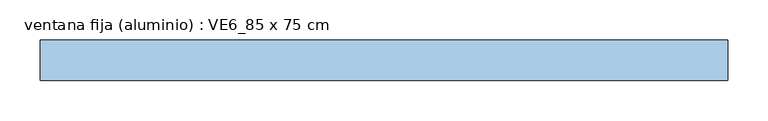
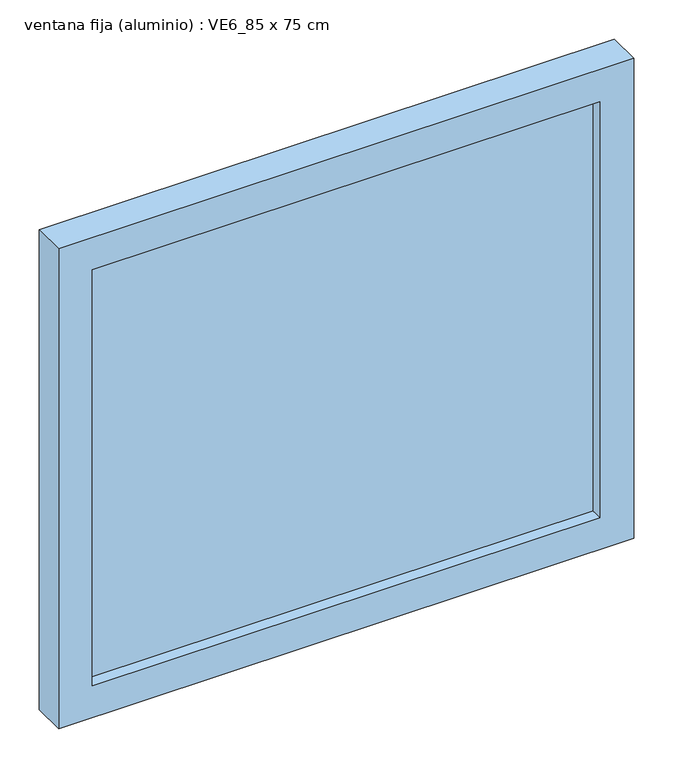
"""IFC4 building model written with IfcOpenShell, lengths in millimetres: window geometry, ventana fija (aluminio) : VE6_85 x 75 cm."""

from ifc_helpers import new_model, si_unit, frame, origin, place, context, project, spatial, polyline, outline, extrude, source, transform, mapped, element, save


def ventana_fija_aluminio_ve6_85_x_75_cm_8316d1a3(model_context):
    return source(origin(), model_context, "Body", "SweptSolid", [
        extrude(outline(polyline([(375.0, 117.5), (-375.0, 117.5), (-375.0, 132.5), (375.0, 132.5), (375.0, 117.5)])), frame((0.0, 0.0, 850.0), z_axis=(0.0, 0.0, 1.0), x_axis=(1.0, 0.0, 0.0)), (0.0, 0.0, 1.0), 650.0),
        extrude(outline(polyline([(1550.0, -425.0), (800.0, -425.0), (800.0, 425.0), (1550.0, 425.0), (1550.0, -425.0)]), holes=[polyline([(1500.0, -375.0), (1500.0, 375.0), (850.0, 375.0), (850.0, -375.0), (1500.0, -375.0)])]), frame((0.0, 100.0, 0.0), z_axis=(0.0, 1.0, 0.0), x_axis=(0.0, 0.0, 1.0)), (0.0, 0.0, 1.0), 50.0),
    ])


if __name__ == "__main__":
    model = new_model("IFC4")
    model_context = context("Model", 3, world=origin())
    ifc_project = project(units=[si_unit("LENGTHUNIT", "METRE", prefix="MILLI")], contexts=[model_context])
    site = spatial("IfcSite", under=ifc_project)
    building = spatial("IfcBuilding", under=site)
    placement = place(None, origin())
    ventana_fija_aluminio_ve6_85_x_75_cm_shape = ventana_fija_aluminio_ve6_85_x_75_cm_8316d1a3(model_context)
    element("IfcWindow", 1, ObjectType="ventana fija (aluminio) : VE6_85 x 75 cm", at=placement, inside=building, context=model_context, shape_type="MappedRepresentation", body=[
        mapped(ventana_fija_aluminio_ve6_85_x_75_cm_shape, transform((0.0, 0.0, 0.0), x_axis=(1.0, 0.0, 0.0), y_axis=(0.0, 1.0, 0.0), z_axis=(0.0, 0.0, 1.0))),
    ])
    save(model, "model.ifc")
